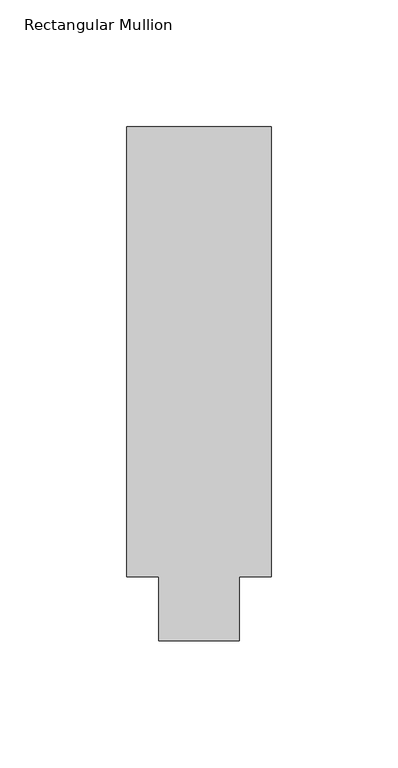
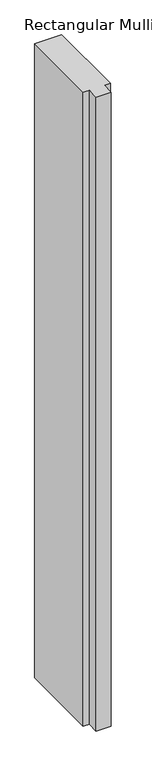
"""IFC4 building model written with IfcOpenShell, lengths in millimetres: member geometry, Rectangular Mullion."""

from ifc_helpers import new_model, si_unit, frame, origin, place, context, project, spatial, polyline, outline, extrude, source, transform, mapped, element, save


def rectangular_mullion_76f4dd64(model_context):
    return source(origin(), model_context, "Body", "SweptSolid", [
        extrude(outline(polyline([(32.9094027, 190.5), (32.9094027, 12.7), (20.2076322, 12.7), (20.2076322, -12.7), (-11.5405973, -12.7), (-11.5405973, 12.7), (-24.2405973, 12.7), (-24.2405973, 190.5), (32.9094027, 190.5)])), frame((0.0, 0.0, -1416.1510693), z_axis=(0.0, 0.0, 1.0), x_axis=(1.0, 0.0, 0.0)), (0.0, 0.0, 1.0), 1416.1510693),
    ])


if __name__ == "__main__":
    model = new_model("IFC4")
    model_context = context("Model", 3, world=origin())
    ifc_project = project(units=[si_unit("LENGTHUNIT", "METRE", prefix="MILLI")], contexts=[model_context])
    site = spatial("IfcSite", under=ifc_project)
    building = spatial("IfcBuilding", under=site)
    placement = place(None, origin())
    rectangular_mullion_shape = rectangular_mullion_76f4dd64(model_context)
    element("IfcMember", 1, ObjectType="Rectangular Mullion", at=placement, inside=building, context=model_context, shape_type="MappedRepresentation", body=[
        mapped(rectangular_mullion_shape, transform((0.0, 0.0, 0.0), x_axis=(1.0, 0.0, 0.0), y_axis=(0.0, 1.0, 0.0), z_axis=(0.0, 0.0, 1.0))),
    ])
    save(model, "model.ifc")
